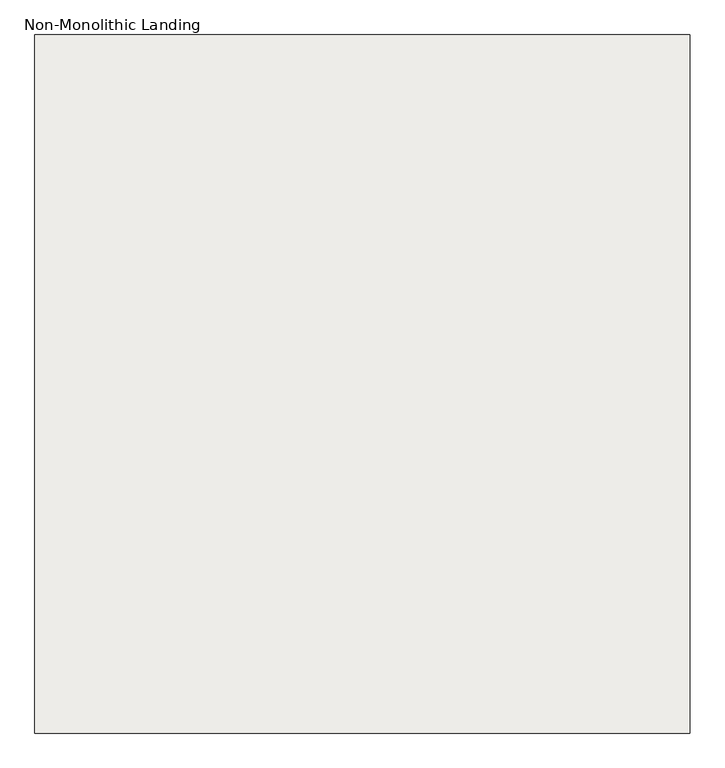
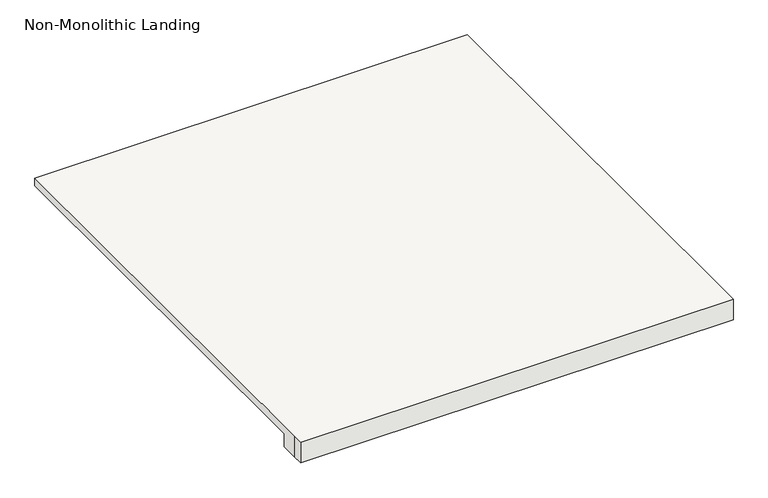
"""IFC4 building model written with IfcOpenShell, lengths in millimetres: slab geometry, Non-Monolithic Landing."""

from ifc_helpers import new_model, si_unit, origin, place, context, project, spatial, faceted_brep, source, transform, mapped, element, save


def non_monolithic_landing_db676611(model_context):
    return source(origin(), model_context, "Body", "Brep", [
        faceted_brep([(-2658.5854491, -4092.8937808, 960.0), (-2658.5854491, -4118.2937808, 960.0), (-1658.5854491, -4118.2937808, 960.0), (-1658.5854491, -4092.8937808, 960.0), (-1658.5854491, -3052.8937808, 960.0), (-2658.5854491, -3052.8937808, 960.0), (-2633.1854491, -4052.8937808, 909.2), (-2633.1854491, -3052.8937808, 909.2), (-1658.5854491, -3052.8937808, 909.2), (-1658.5854491, -4092.8937808, 909.2), (-1658.5854491, -4118.2937808, 909.2), (-2658.5854491, -4118.2937808, 909.2), (-2658.5854491, -4092.8937808, 909.2), (-2658.5854491, -4052.8937808, 909.2), (-2633.1854491, -3052.8937808, 915.55), (-2658.5854491, -3052.8937808, 940.95), (-2633.1854491, -4052.8937808, 915.55), (-2658.5854491, -4052.8937808, 940.95)], [[[0, 1, 2, 3, 4, 5]], [[6, 7, 8, 9, 10, 11, 12, 13]], [[4, 3, 9, 8]], [[5, 4, 8, 7, 14, 15]], [[7, 6, 16, 14]], [[6, 13, 17, 16]], [[0, 5, 15, 17, 13, 12]], [[15, 14, 16, 17]], [[1, 0, 12, 11]], [[2, 1, 11, 10]], [[3, 2, 10, 9]]]),
    ])


if __name__ == "__main__":
    model = new_model("IFC4")
    model_context = context("Model", 3, world=origin())
    ifc_project = project(units=[si_unit("LENGTHUNIT", "METRE", prefix="MILLI")], contexts=[model_context])
    site = spatial("IfcSite", under=ifc_project)
    building = spatial("IfcBuilding", under=site)
    placement = place(None, origin())
    non_monolithic_landing_shape = non_monolithic_landing_db676611(model_context)
    element("IfcSlab", 1, ObjectType="Non-Monolithic Landing", at=placement, inside=building, context=model_context, shape_type="MappedRepresentation", body=[
        mapped(non_monolithic_landing_shape, transform((0.0, 0.0, 0.0), x_axis=(1.0, 0.0, 0.0), y_axis=(0.0, 1.0, 0.0), z_axis=(0.0, 0.0, 1.0))),
    ])
    save(model, "model.ifc")
